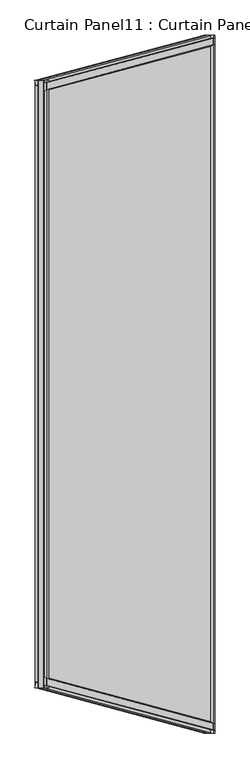
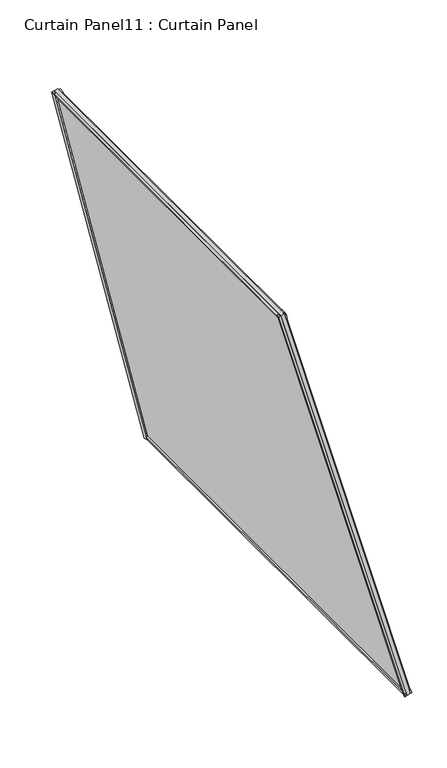
"""IFC4 building model written with IfcOpenShell, lengths in millimetres: plate geometry, Curtain Panel11 : Curtain Panel."""

from ifc_helpers import new_model, si_unit, frame, origin, place, context, project, spatial, polyline, outline, extrude, source, transform, mapped, element, save


def curtain_panel11_curtain_panel_578c00c4(model_context):
    return source(origin(), model_context, "Body", "SweptSolid", [
        extrude(outline(polyline([(22.2794791, -5.8689469), (22.2882717, -20.9890896), (17.5121093, -24.0709891), (17.5015261, -5.8717254), (22.2794791, -5.8689469)])), frame((-9277.1015432, -12928.7460371, 980.3279056), z_axis=(-0.24999999999999975, -0.06698729810777881, 0.9659258262890685), x_axis=(0.968100345886375, 0.0, 0.250562807085731)), (0.0, 0.0, 1.0), 1495.7507986),
        extrude(outline(polyline([(-1.6371094, 0.0), (4.7128906, 0.0), (4.7128906, -11.4749739), (-0.0826892, -12.7161613), (-3.2648369, -0.4212869), (-1.6371094, 0.0)])), frame((-9277.1015432, -12928.7460371, 980.3279056), z_axis=(-0.24999999999999975, -0.06698729810777881, 0.9659258262890685), x_axis=(0.968100345886375, 0.0, 0.250562807085731)), (0.0, 0.0, 1.0), 1495.7507986),
        extrude(outline(polyline([(22.2794791, 5.8689468), (17.5015262, 5.8717253), (17.5121094, 24.070989), (22.2882719, 20.9890896), (22.2794791, 5.8689468)])), frame((-9277.1015433, -14473.4858484, 980.3279056), z_axis=(-0.2499999999999994, 0.06698729810776556, 0.9659258262890696), x_axis=(0.968100345886375, 0.0, 0.250562807085731)), (0.0, 0.0, 1.0), 1495.7507985),
        extrude(outline(polyline([(-1.6371093, 0.0), (-3.2648368, 0.4212868), (-0.0826891, 12.7161612), (4.7128907, 11.4749739), (4.7128907, 0.0), (-1.6371093, 0.0)])), frame((-9277.1015433, -14473.4858484, 980.3279056), z_axis=(-0.2499999999999994, 0.06698729810776556, 0.9659258262890696), x_axis=(0.968100345886375, 0.0, 0.250562807085731)), (0.0, 0.0, 1.0), 1495.7507985),
        extrude(outline(polyline([(981.6535301, -9272.5764561), (992.8459883, -9275.4732774), (990.4563096, -9279.8254552), (980.4477945, -9277.2350608), (981.6535301, -9272.5764561)])), frame((0.0, -14473.4657716, 0.0), z_axis=(0.0, 1.0, 0.0), x_axis=(0.0, 0.0, 1.0)), (0.0, 0.0, 1.0), 1544.6996588),
        extrude(outline(polyline([(1001.266546, -9264.4317153), (984.8605383, -9260.185528), (986.0804352, -9255.4722081), (998.1276799, -9258.5902644), (1001.266546, -9264.4317153)])), frame((0.0, -14473.4657716, 0.0), z_axis=(0.0, 1.0, 0.0), x_axis=(0.0, 0.0, 1.0)), (0.0, 0.0, 1.0), 1544.6996588),
        extrude(outline(polyline([(2426.5087441, -9646.5324127), (2422.6156417, -9653.5084504), (2412.8880821, -9648.1147163), (2413.0816553, -9643.0572264), (2426.5087441, -9646.5324127)])), frame((0.0, -14373.2694497, 0.0), z_axis=(0.0, 1.0, 0.0), x_axis=(0.0, 0.0, 1.0)), (0.0, 0.0, 1.0), 1344.307015),
        extrude(outline(polyline([(2409.5009418, -9624.1019199), (2425.6684669, -9628.135178), (2425.6909309, -9633.0997842), (2406.1353273, -9628.0384216), (2409.5009418, -9624.1019199)])), frame((0.0, -14373.2694497, 0.0), z_axis=(0.0, 1.0, 0.0), x_axis=(0.0, 0.0, 1.0)), (0.0, 0.0, 1.0), 1344.307015),
        extrude(outline(polyline([(-69.2031684, 0.0), (-172.6797697, -1541.2500287), (-1655.0068088, -1341.3075357), (-1564.9539669, 0.0), (-69.2031684, 0.0)])), frame((-9255.275664, -12924.1203423, 914.8084025), z_axis=(0.968100345886375, 0.0, 0.25056280708573103), x_axis=(0.24999999999999975, 0.06698729810777886, -0.9659258262890685)), (0.0, 0.0, 1.0), 12.7992187),
    ])


if __name__ == "__main__":
    model = new_model("IFC4")
    model_context = context("Model", 3, world=origin())
    ifc_project = project(units=[si_unit("LENGTHUNIT", "METRE", prefix="MILLI")], contexts=[model_context])
    site = spatial("IfcSite", under=ifc_project)
    building = spatial("IfcBuilding", under=site)
    placement = place(None, origin())
    curtain_panel11_curtain_panel_shape = curtain_panel11_curtain_panel_578c00c4(model_context)
    element("IfcPlate", 1, ObjectType="Curtain Panel11 : Curtain Panel", at=placement, inside=building, context=model_context, shape_type="MappedRepresentation", body=[
        mapped(curtain_panel11_curtain_panel_shape, transform((0.0, 0.0, 0.0), x_axis=(1.0, 0.0, 0.0), y_axis=(0.0, 1.0, 0.0), z_axis=(0.0, 0.0, 1.0))),
    ])
    save(model, "model.ifc")
